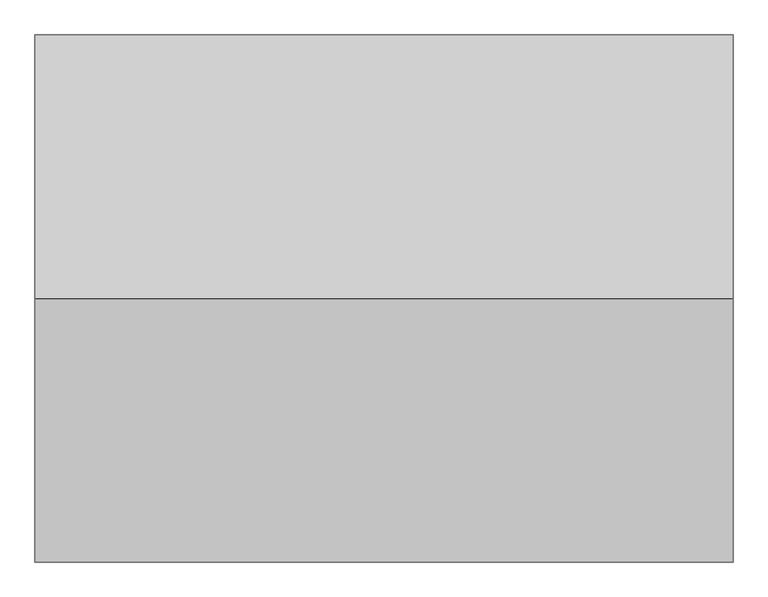
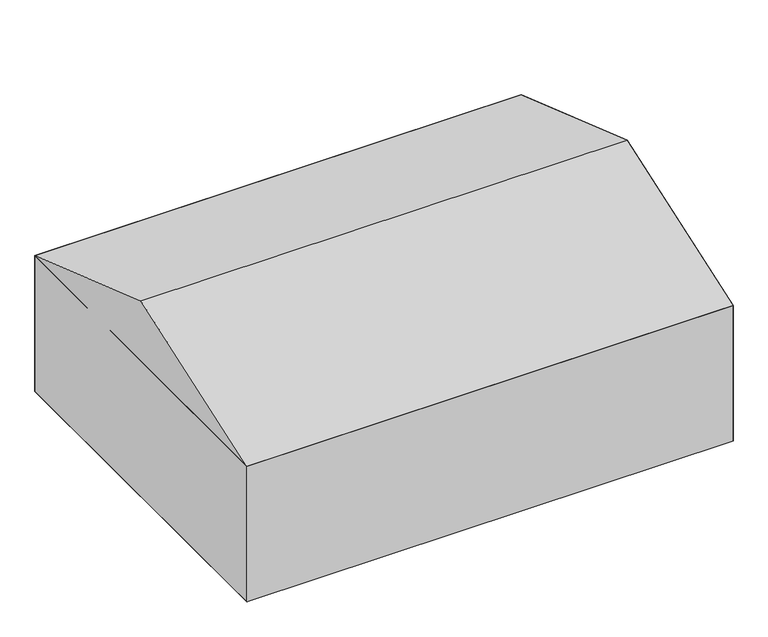
"""IFC4 building model written with IfcOpenShell, lengths in millimetres: geographic element geometry."""

import ifcopenshell
import ifcopenshell.guid

model = None  # the IFC model being written
_history = None  # IfcOwnerHistory: only IFC2X3 demands one
_inside = {}  # id of a spatial element -> (the spatial element, [elements in it])
_under = {}  # id of a project, library or spatial element -> (it, [spatial elements below it])
_declared = {}  # id of a project -> (the project, [libraries it declares])
_typed = {}  # id of a type object -> (the type object, [elements of that type])
_made_of = {}  # id of a material, layer set ... -> (it, [elements and type objects made of it])


def new_model(schema):
    """Start an empty IFC model of exactly this schema.

    Asked for "IFC4X3", IfcOpenShell would pick the latest addendum, in which some entities
    have other attributes; the version numbers below select the first issue.
    IFC2X3 requires an IfcOwnerHistory on every rooted entity: one is made here for all.
    """
    global model, _history
    if schema == "IFC4X3":
        model = ifcopenshell.file(schema_version=(4, 3, 0, 0))
    else:
        model = ifcopenshell.file(schema=schema)
    _inside.clear()
    _under.clear()
    _declared.clear()
    _typed.clear()
    _made_of.clear()
    _history = None
    if model.schema == "IFC2X3":
        org = make("IfcOrganization", Name="unknown")
        user = make(
            "IfcPersonAndOrganization",
            ThePerson=make("IfcPerson", FamilyName="unknown"),
            TheOrganization=org,
        )
        app = make(
            "IfcApplication",
            ApplicationDeveloper=org,
            Version="unknown",
            ApplicationFullName="unknown",
            ApplicationIdentifier="unknown",
        )
        _history = make(
            "IfcOwnerHistory",
            OwningUser=user,
            OwningApplication=app,
            ChangeAction="ADDED",
            CreationDate=0,
        )
    return model


def make(cls, **values):
    """One entity of the class cls with the attributes given. An attribute that is None is left unset."""
    return model.create_entity(
        cls, **{name: value for name, value in values.items() if value is not None}
    )


def rooted(cls, **values):
    """An entity with a GlobalId (a new one), such as an element, a storey or a relation."""
    return make(cls, GlobalId=ifcopenshell.guid.new(), OwnerHistory=_history, **values)


def si_unit(unit_type, name, prefix=None):
    """IfcSIUnit, for example si_unit("LENGTHUNIT", "METRE", prefix="MILLI")."""
    return make("IfcSIUnit", UnitType=unit_type, Prefix=prefix, Name=name)


def assignment(units):
    """IfcUnitAssignment: the units of a project."""
    return None if units is None else make("IfcUnitAssignment", Units=units)


def point(xyz):
    """IfcCartesianPoint."""
    return None if xyz is None else make("IfcCartesianPoint", Coordinates=xyz)


def direction(xyz):
    """IfcDirection."""
    return None if xyz is None else make("IfcDirection", DirectionRatios=xyz)


def frame(location, z_axis=None, x_axis=None):
    """IfcAxis2Placement3D, a coordinate frame: its origin and axes. An axis left out is left unset."""
    return make(
        "IfcAxis2Placement3D",
        Location=point(location),
        Axis=direction(z_axis),
        RefDirection=direction(x_axis),
    )


def origin():
    """The frame at (0, 0, 0) with its axes left unset."""
    return frame((0.0, 0.0, 0.0))


def place(relative_to, where):
    """IfcLocalPlacement: puts the frame where relative to a parent placement (None: the world)."""
    return make(
        "IfcLocalPlacement", PlacementRelTo=relative_to, RelativePlacement=where
    )


def context(
    kind, dimensions, precision=None, world=None, true_north=None, identifier=None
):
    """IfcGeometricRepresentationContext, for example the 3D "Model" context."""
    return make(
        "IfcGeometricRepresentationContext",
        ContextIdentifier=identifier,
        ContextType=kind,
        CoordinateSpaceDimension=dimensions,
        Precision=precision,
        WorldCoordinateSystem=world,
        TrueNorth=true_north,
    )


def project(units=None, contexts=None):
    """IfcProject with its units and contexts."""
    return rooted(
        "IfcProject",
        Name="project",
        RepresentationContexts=contexts,
        UnitsInContext=assignment(units),
    )


def spatial(cls, under=None, at=None, **own):
    """A site, building, storey or space (cls), placed at a placement, below another one or the project."""
    s = rooted(cls, ObjectPlacement=at, **own)
    if under is not None:
        _under.setdefault(under.id(), (under, []))[1].append(s)
    return s


def point_list(points):
    """IfcCartesianPointList2D or 3D."""
    cls = (
        "IfcCartesianPointList2D" if len(points[0]) == 2 else "IfcCartesianPointList3D"
    )
    return make(cls, CoordList=points)


def triangles(points, corners, closed=None, point_numbers=None):
    """IfcTriangulatedFaceSet: each triangle names its three corners, points numbered from 1."""
    return make(
        "IfcTriangulatedFaceSet",
        Coordinates=point_list(points),
        Closed=closed,
        CoordIndex=corners,
        PnIndex=point_numbers,
    )


def shape(context_of_items, identifier, shape_type, items):
    """IfcShapeRepresentation: the items that make up one representation, for example the "Body"."""
    return make(
        "IfcShapeRepresentation",
        ContextOfItems=context_of_items,
        RepresentationIdentifier=identifier,
        RepresentationType=shape_type,
        Items=items,
    )


def source(mapping_origin, context_of_items, identifier, shape_type, items):
    """IfcRepresentationMap: a shape defined once, which mapped items show again and again."""
    return make(
        "IfcRepresentationMap",
        MappingOrigin=mapping_origin,
        MappedRepresentation=shape(context_of_items, identifier, shape_type, items),
    )


def transform(
    local_origin,
    x_axis=None,
    y_axis=None,
    z_axis=None,
    scale=None,
    scale2=None,
    scale3=None,
    uniform=True,
):
    """IfcCartesianTransformationOperator3D, or its non-uniform kind. x_axis, y_axis, z_axis: its Axis1, 2, 3."""
    if uniform:
        return make(
            "IfcCartesianTransformationOperator3D",
            Axis1=direction(x_axis),
            Axis2=direction(y_axis),
            LocalOrigin=point(local_origin),
            Scale=scale,
            Axis3=direction(z_axis),
        )
    return make(
        "IfcCartesianTransformationOperator3DnonUniform",
        Axis1=direction(x_axis),
        Axis2=direction(y_axis),
        LocalOrigin=point(local_origin),
        Scale=scale,
        Axis3=direction(z_axis),
        Scale2=scale2,
        Scale3=scale3,
    )


def mapped(mapping_source, mapping_target):
    """IfcMappedItem: shows the shape of a source again, moved by a transform."""
    return make(
        "IfcMappedItem", MappingSource=mapping_source, MappingTarget=mapping_target
    )


def made_of(thing, what):
    """Note that an element or type object is made of a material, layer set ...; save() writes the relation."""
    if what is not None:
        _made_of.setdefault(what.id(), (what, []))[1].append(thing)
    return thing


def element(
    cls,
    number,
    at=None,
    inside=None,
    cuts=None,
    type_object=None,
    material=None,
    context=None,
    identifier="Body",
    shape_type=None,
    held_by="IfcProductDefinitionShape",
    body=None,
    shapes=None,
    **own,
):
    """One element of the class cls, such as IfcWall. Its Tag is "e" and its number.

    at: its placement. inside: the storey or other place that contains it. cuts: it is an
    opening in that element (IfcRelVoidsElement). A single representation is given by context,
    identifier, shape_type and body (its items); several are given by shapes. held_by: the class
    of the entity that holds the representations. save() writes the other relations.
    """
    e = rooted(cls, Tag="e%d" % number, ObjectPlacement=at, **own)
    if body is not None:
        shapes = [shape(context, identifier, shape_type, body)]
    if shapes is not None:
        e.Representation = make(held_by, Representations=shapes)
    if inside is not None:
        _inside.setdefault(inside.id(), (inside, []))[1].append(e)
    if cuts is not None:
        rooted(
            "IfcRelVoidsElement", RelatingBuildingElement=cuts, RelatedOpeningElement=e
        )
    if type_object is not None:
        _typed.setdefault(type_object.id(), (type_object, []))[1].append(e)
    return made_of(e, material)


def aggregate(whole, parts):
    """IfcRelAggregates: a whole, such as a stair, and the parts it consists of."""
    return rooted("IfcRelAggregates", RelatingObject=whole, RelatedObjects=parts)


def save(model, path):
    """Write the relations noted so far, then the file.

    IfcRelAggregates (storeys below a building ...), IfcRelContainedInSpatialStructure (elements
    in a storey), IfcRelDefinesByType, IfcRelAssociatesMaterial and IfcRelDeclares: one each for
    every whole, place, type object, material and project.
    """
    for whole, parts in _under.values():
        aggregate(whole, parts)
    for where, things in _inside.values():
        rooted(
            "IfcRelContainedInSpatialStructure",
            RelatedElements=things,
            RelatingStructure=where,
        )
    for kind, things in _typed.values():
        rooted("IfcRelDefinesByType", RelatedObjects=things, RelatingType=kind)
    for what, things in _made_of.values():
        rooted("IfcRelAssociatesMaterial", RelatedObjects=things, RelatingMaterial=what)
    for by, libraries in _declared.values():
        rooted("IfcRelDeclares", RelatingContext=by, RelatedDefinitions=libraries)
    model.write(path)


def geographic_element_95c2072d(model_context):
    return source(origin(), model_context, "Body", "Tessellation", [
        triangles([(325.5263875, 8274.8303787, 3002.7879341), (325.5263875, 595.7133113, 3002.7879341), (325.5263875, 4435.2717178, 4328.9221046), (10487.2063843, 4435.2717178, 4328.9221046), (10487.2063843, 8274.8303787, 3002.7879341), (10487.2063843, 595.7133113, 3002.7879341), (10487.2063843, 8274.8303787, 0.0), (325.5263875, 595.7133113, 0.0), (325.5263875, 8274.8303787, 0.0), (10487.2063843, 595.7133113, 0.0)], [[1, 2, 3], [4, 1, 3], [1, 4, 5], [5, 4, 6], [6, 3, 2], [3, 6, 4], [5, 2, 1], [2, 5, 6], [6, 1, 2], [1, 6, 5], [7, 8, 9], [8, 7, 10], [1, 8, 2], [8, 1, 9], [6, 8, 10], [8, 6, 2], [1, 7, 9], [7, 1, 5], [7, 6, 10], [6, 7, 5]], closed=False),
    ])


if __name__ == "__main__":
    model = new_model("IFC4")
    model_context = context("Model", 3, world=origin())
    ifc_project = project(units=[si_unit("LENGTHUNIT", "METRE", prefix="MILLI")], contexts=[model_context])
    site = spatial("IfcSite", under=ifc_project)
    building = spatial("IfcBuilding", under=site)
    placement = place(None, origin())
    geographic_element_shape = geographic_element_95c2072d(model_context)
    element("IfcGeographicElement", 1, at=placement, inside=building, context=model_context, shape_type="MappedRepresentation", body=[
        mapped(geographic_element_shape, transform((0.0, 0.0, 0.0), x_axis=(1.0, 0.0, 0.0), y_axis=(0.0, 1.0, 0.0), z_axis=(0.0, 0.0, 1.0))),
    ])
    save(model, "model.ifc")
